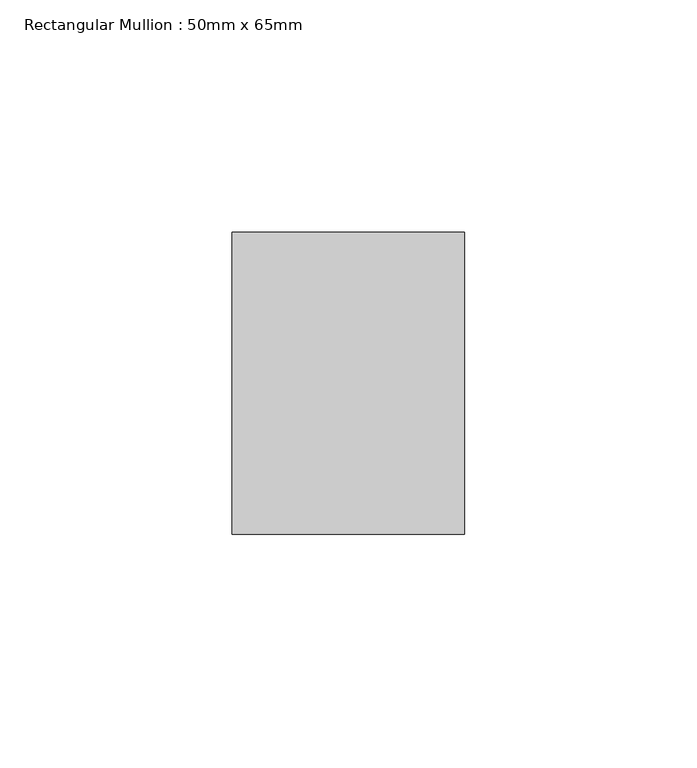
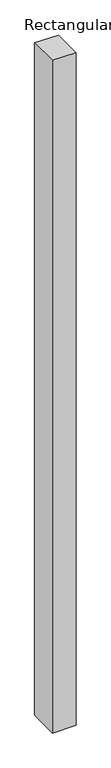
"""IFC4 building model written with IfcOpenShell, lengths in millimetres: member geometry, Rectangular Mullion : 50mm x 65mm."""

from ifc_helpers import new_model, si_unit, frame, origin, place, context, project, spatial, polyline, outline, extrude, source, transform, mapped, element, save


def rectangular_mullion_50mm_x_65mm_32cfc78f(model_context):
    return source(origin(), model_context, "Body", "SweptSolid", [
        extrude(outline(polyline([(-32.5, 0.1835724), (32.5, -0.1835726), (32.5, -1499.7334383), (-32.5, -1500.2663345), (-32.5, 0.1835724)])), frame((-25.0, 0.0, 0.0), z_axis=(1.0, 0.0, 0.0), x_axis=(0.0, 1.0, 0.0)), (0.0, 0.0, 1.0), 50.0),
    ])


if __name__ == "__main__":
    model = new_model("IFC4")
    model_context = context("Model", 3, world=origin())
    ifc_project = project(units=[si_unit("LENGTHUNIT", "METRE", prefix="MILLI")], contexts=[model_context])
    site = spatial("IfcSite", under=ifc_project)
    building = spatial("IfcBuilding", under=site)
    placement = place(None, origin())
    rectangular_mullion_50mm_x_65mm_shape = rectangular_mullion_50mm_x_65mm_32cfc78f(model_context)
    element("IfcMember", 1, ObjectType="Rectangular Mullion : 50mm x 65mm", at=placement, inside=building, context=model_context, shape_type="MappedRepresentation", body=[
        mapped(rectangular_mullion_50mm_x_65mm_shape, transform((0.0, 0.0, 0.0), x_axis=(1.0, 0.0, 0.0), y_axis=(0.0, 1.0, 0.0), z_axis=(0.0, 0.0, 1.0))),
    ])
    save(model, "model.ifc")
